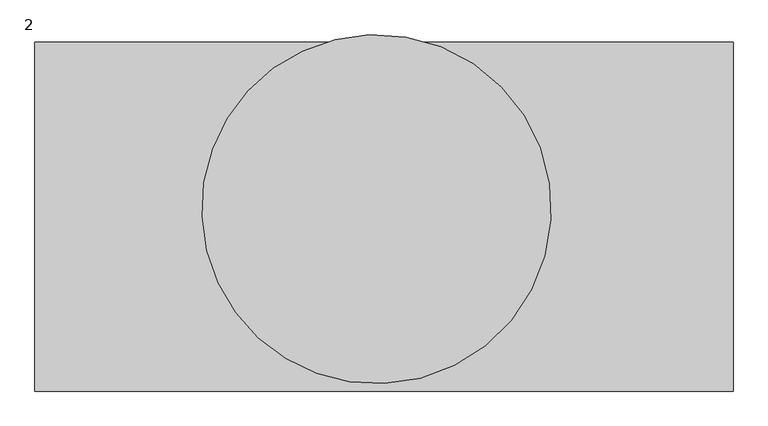
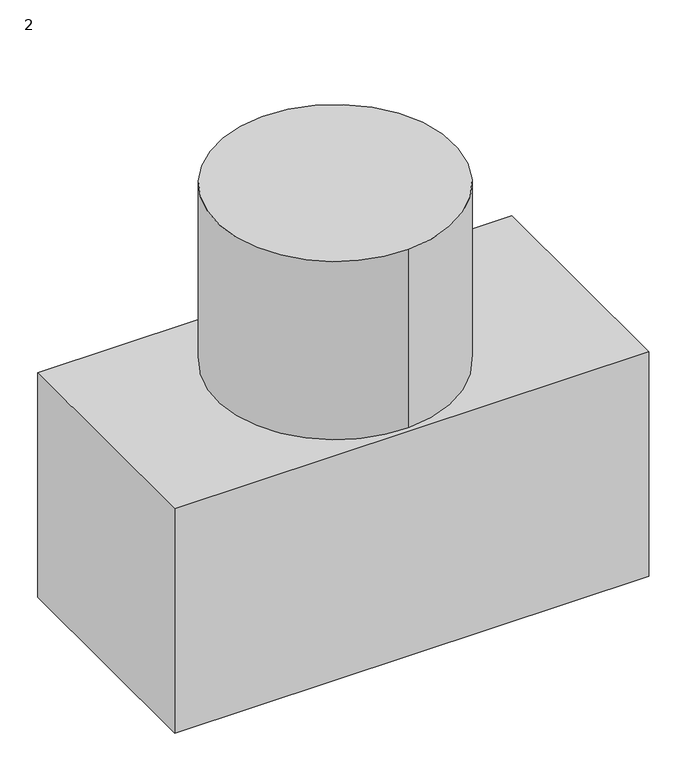
"""IFC4 building model written with IfcOpenShell, lengths in millimetres: proxy geometry, 2."""

from ifc_helpers import new_model, si_unit, point, frame, frame_2d, origin, origin_with_axes, place, context, project, spatial, polyline, circle_curve, trimmed, segment, composite_curve, outline, extrude, source, transform, mapped, element, save


def proxy_2_5b3ec2ce(model_context):
    return source(origin(), model_context, "Body", "SweptSolid", [
        extrude(outline(composite_curve([segment(trimmed(circle_curve(frame_2d((-1081.4980478, -1792.4441548)), 500.448688), [point((-1060.3110405, -2292.4441548))], [point((-1102.685055, -1292.4441548))], False, "CARTESIAN"), True, "CONTINUOUS"), segment(trimmed(circle_curve(frame_2d((-1081.4980478, -1792.4441548)), 500.448688), [point((-1102.685055, -1292.4441548))], [point((-1060.3110405, -2292.4441548))], False, "CARTESIAN"), True, "CONTINUOUS")], self_intersect=False)), frame((0.0, 0.0, 1000.0), z_axis=(0.0, 0.0, 1.0), x_axis=(1.0, 0.0, 0.0)), (0.0, 0.0, 1.0), 794.7079657),
        extrude(outline(polyline([(-60.3110405, -2313.831934), (-2060.3110405, -2313.831934), (-2060.3110405, -1313.831934), (-60.3110405, -1313.831934), (-60.3110405, -2313.831934)])), origin_with_axes(), (0.0, 0.0, 1.0), 1000.0),
    ])


if __name__ == "__main__":
    model = new_model("IFC4")
    model_context = context("Model", 3, world=origin())
    ifc_project = project(units=[si_unit("LENGTHUNIT", "METRE", prefix="MILLI")], contexts=[model_context])
    site = spatial("IfcSite", under=ifc_project)
    building = spatial("IfcBuilding", under=site)
    placement = place(None, origin())
    proxy_2_shape = proxy_2_5b3ec2ce(model_context)
    element("IfcBuildingElementProxy", 1, Name="2", ObjectType="2", at=placement, inside=building, context=model_context, shape_type="MappedRepresentation", body=[
        mapped(proxy_2_shape, transform((0.0, 0.0, 0.0), x_axis=(1.0, 0.0, 0.0), y_axis=(0.0, 1.0, 0.0), z_axis=(0.0, 0.0, 1.0))),
    ])
    save(model, "model.ifc")
